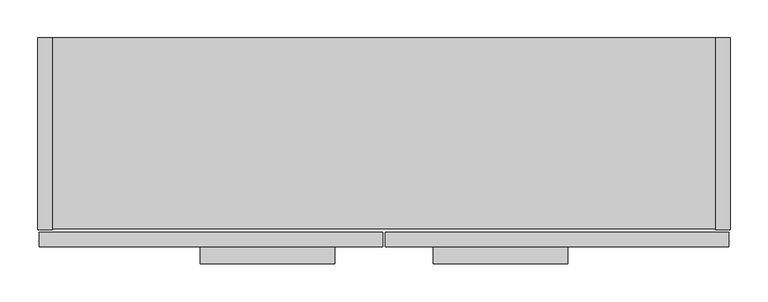
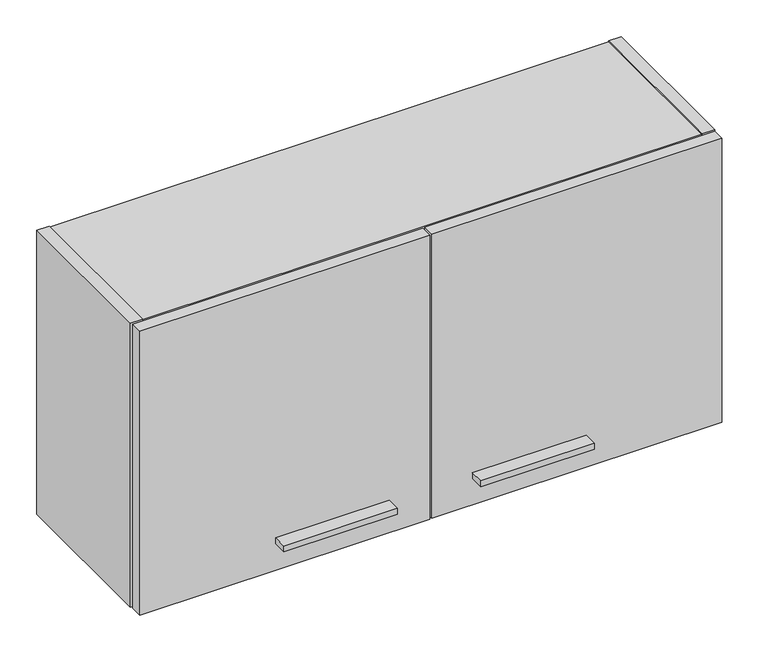
"""IFC4 building model written with IfcOpenShell, lengths in millimetres: furniture geometry."""

import ifcopenshell
import ifcopenshell.guid

model = None  # the IFC model being written
_history = None  # IfcOwnerHistory: only IFC2X3 demands one
_inside = {}  # id of a spatial element -> (the spatial element, [elements in it])
_under = {}  # id of a project, library or spatial element -> (it, [spatial elements below it])
_declared = {}  # id of a project -> (the project, [libraries it declares])
_typed = {}  # id of a type object -> (the type object, [elements of that type])
_made_of = {}  # id of a material, layer set ... -> (it, [elements and type objects made of it])


def new_model(schema):
    """Start an empty IFC model of exactly this schema.

    Asked for "IFC4X3", IfcOpenShell would pick the latest addendum, in which some entities
    have other attributes; the version numbers below select the first issue.
    IFC2X3 requires an IfcOwnerHistory on every rooted entity: one is made here for all.
    """
    global model, _history
    if schema == "IFC4X3":
        model = ifcopenshell.file(schema_version=(4, 3, 0, 0))
    else:
        model = ifcopenshell.file(schema=schema)
    _inside.clear()
    _under.clear()
    _declared.clear()
    _typed.clear()
    _made_of.clear()
    _history = None
    if model.schema == "IFC2X3":
        org = make("IfcOrganization", Name="unknown")
        user = make(
            "IfcPersonAndOrganization",
            ThePerson=make("IfcPerson", FamilyName="unknown"),
            TheOrganization=org,
        )
        app = make(
            "IfcApplication",
            ApplicationDeveloper=org,
            Version="unknown",
            ApplicationFullName="unknown",
            ApplicationIdentifier="unknown",
        )
        _history = make(
            "IfcOwnerHistory",
            OwningUser=user,
            OwningApplication=app,
            ChangeAction="ADDED",
            CreationDate=0,
        )
    return model


def make(cls, **values):
    """One entity of the class cls with the attributes given. An attribute that is None is left unset."""
    return model.create_entity(
        cls, **{name: value for name, value in values.items() if value is not None}
    )


def rooted(cls, **values):
    """An entity with a GlobalId (a new one), such as an element, a storey or a relation."""
    return make(cls, GlobalId=ifcopenshell.guid.new(), OwnerHistory=_history, **values)


def si_unit(unit_type, name, prefix=None):
    """IfcSIUnit, for example si_unit("LENGTHUNIT", "METRE", prefix="MILLI")."""
    return make("IfcSIUnit", UnitType=unit_type, Prefix=prefix, Name=name)


def assignment(units):
    """IfcUnitAssignment: the units of a project."""
    return None if units is None else make("IfcUnitAssignment", Units=units)


def point(xyz):
    """IfcCartesianPoint."""
    return None if xyz is None else make("IfcCartesianPoint", Coordinates=xyz)


def direction(xyz):
    """IfcDirection."""
    return None if xyz is None else make("IfcDirection", DirectionRatios=xyz)


def frame(location, z_axis=None, x_axis=None):
    """IfcAxis2Placement3D, a coordinate frame: its origin and axes. An axis left out is left unset."""
    return make(
        "IfcAxis2Placement3D",
        Location=point(location),
        Axis=direction(z_axis),
        RefDirection=direction(x_axis),
    )


def frame_2d(location, x_axis=None):
    """IfcAxis2Placement2D, a coordinate frame in the plane: its origin and x axis."""
    return make(
        "IfcAxis2Placement2D", Location=point(location), RefDirection=direction(x_axis)
    )


def origin():
    """The frame at (0, 0, 0) with its axes left unset."""
    return frame((0.0, 0.0, 0.0))


def place(relative_to, where):
    """IfcLocalPlacement: puts the frame where relative to a parent placement (None: the world)."""
    return make(
        "IfcLocalPlacement", PlacementRelTo=relative_to, RelativePlacement=where
    )


def context(
    kind, dimensions, precision=None, world=None, true_north=None, identifier=None
):
    """IfcGeometricRepresentationContext, for example the 3D "Model" context."""
    return make(
        "IfcGeometricRepresentationContext",
        ContextIdentifier=identifier,
        ContextType=kind,
        CoordinateSpaceDimension=dimensions,
        Precision=precision,
        WorldCoordinateSystem=world,
        TrueNorth=true_north,
    )


def project(units=None, contexts=None):
    """IfcProject with its units and contexts."""
    return rooted(
        "IfcProject",
        Name="project",
        RepresentationContexts=contexts,
        UnitsInContext=assignment(units),
    )


def spatial(cls, under=None, at=None, **own):
    """A site, building, storey or space (cls), placed at a placement, below another one or the project."""
    s = rooted(cls, ObjectPlacement=at, **own)
    if under is not None:
        _under.setdefault(under.id(), (under, []))[1].append(s)
    return s


def polyline(points):
    """IfcPolyline through the points."""
    return make("IfcPolyline", Points=[point(p) for p in points])


def circle_curve(where, radius):
    """IfcCircle in the frame where."""
    return make("IfcCircle", Position=where, Radius=radius)


def trimmed(basis, trim1, trim2, sense, master):
    """IfcTrimmedCurve: the piece of a basis curve between two trims."""
    return make(
        "IfcTrimmedCurve",
        BasisCurve=basis,
        Trim1=trim1,
        Trim2=trim2,
        SenseAgreement=sense,
        MasterRepresentation=master,
    )


def segment(curve, same_sense, transition):
    """IfcCompositeCurveSegment."""
    return make(
        "IfcCompositeCurveSegment",
        Transition=transition,
        SameSense=same_sense,
        ParentCurve=curve,
    )


def composite_curve(segments, self_intersect=None):
    """IfcCompositeCurve: segments joined end to end."""
    return make("IfcCompositeCurve", Segments=segments, SelfIntersect=self_intersect)


def outline(outer, holes=None, kind="AREA"):
    """IfcArbitraryClosedProfileDef: a profile drawn as a closed curve; with holes, ...WithVoids."""
    if holes is None:
        return make("IfcArbitraryClosedProfileDef", ProfileType=kind, OuterCurve=outer)
    return make(
        "IfcArbitraryProfileDefWithVoids",
        ProfileType=kind,
        OuterCurve=outer,
        InnerCurves=holes,
    )


def extrude(swept, where, along, depth):
    """IfcExtrudedAreaSolid: the profile swept, set in the frame where, extruded along a direction by depth."""
    return make(
        "IfcExtrudedAreaSolid",
        SweptArea=swept,
        Position=where,
        ExtrudedDirection=direction(along),
        Depth=depth,
    )


def shape(context_of_items, identifier, shape_type, items):
    """IfcShapeRepresentation: the items that make up one representation, for example the "Body"."""
    return make(
        "IfcShapeRepresentation",
        ContextOfItems=context_of_items,
        RepresentationIdentifier=identifier,
        RepresentationType=shape_type,
        Items=items,
    )


def source(mapping_origin, context_of_items, identifier, shape_type, items):
    """IfcRepresentationMap: a shape defined once, which mapped items show again and again."""
    return make(
        "IfcRepresentationMap",
        MappingOrigin=mapping_origin,
        MappedRepresentation=shape(context_of_items, identifier, shape_type, items),
    )


def transform(
    local_origin,
    x_axis=None,
    y_axis=None,
    z_axis=None,
    scale=None,
    scale2=None,
    scale3=None,
    uniform=True,
):
    """IfcCartesianTransformationOperator3D, or its non-uniform kind. x_axis, y_axis, z_axis: its Axis1, 2, 3."""
    if uniform:
        return make(
            "IfcCartesianTransformationOperator3D",
            Axis1=direction(x_axis),
            Axis2=direction(y_axis),
            LocalOrigin=point(local_origin),
            Scale=scale,
            Axis3=direction(z_axis),
        )
    return make(
        "IfcCartesianTransformationOperator3DnonUniform",
        Axis1=direction(x_axis),
        Axis2=direction(y_axis),
        LocalOrigin=point(local_origin),
        Scale=scale,
        Axis3=direction(z_axis),
        Scale2=scale2,
        Scale3=scale3,
    )


def mapped(mapping_source, mapping_target):
    """IfcMappedItem: shows the shape of a source again, moved by a transform."""
    return make(
        "IfcMappedItem", MappingSource=mapping_source, MappingTarget=mapping_target
    )


def made_of(thing, what):
    """Note that an element or type object is made of a material, layer set ...; save() writes the relation."""
    if what is not None:
        _made_of.setdefault(what.id(), (what, []))[1].append(thing)
    return thing


def element(
    cls,
    number,
    at=None,
    inside=None,
    cuts=None,
    type_object=None,
    material=None,
    context=None,
    identifier="Body",
    shape_type=None,
    held_by="IfcProductDefinitionShape",
    body=None,
    shapes=None,
    **own,
):
    """One element of the class cls, such as IfcWall. Its Tag is "e" and its number.

    at: its placement. inside: the storey or other place that contains it. cuts: it is an
    opening in that element (IfcRelVoidsElement). A single representation is given by context,
    identifier, shape_type and body (its items); several are given by shapes. held_by: the class
    of the entity that holds the representations. save() writes the other relations.
    """
    e = rooted(cls, Tag="e%d" % number, ObjectPlacement=at, **own)
    if body is not None:
        shapes = [shape(context, identifier, shape_type, body)]
    if shapes is not None:
        e.Representation = make(held_by, Representations=shapes)
    if inside is not None:
        _inside.setdefault(inside.id(), (inside, []))[1].append(e)
    if cuts is not None:
        rooted(
            "IfcRelVoidsElement", RelatingBuildingElement=cuts, RelatedOpeningElement=e
        )
    if type_object is not None:
        _typed.setdefault(type_object.id(), (type_object, []))[1].append(e)
    return made_of(e, material)


def aggregate(whole, parts):
    """IfcRelAggregates: a whole, such as a stair, and the parts it consists of."""
    return rooted("IfcRelAggregates", RelatingObject=whole, RelatedObjects=parts)


def save(model, path):
    """Write the relations noted so far, then the file.

    IfcRelAggregates (storeys below a building ...), IfcRelContainedInSpatialStructure (elements
    in a storey), IfcRelDefinesByType, IfcRelAssociatesMaterial and IfcRelDeclares: one each for
    every whole, place, type object, material and project.
    """
    for whole, parts in _under.values():
        aggregate(whole, parts)
    for where, things in _inside.values():
        rooted(
            "IfcRelContainedInSpatialStructure",
            RelatedElements=things,
            RelatingStructure=where,
        )
    for kind, things in _typed.values():
        rooted("IfcRelDefinesByType", RelatedObjects=things, RelatingType=kind)
    for what, things in _made_of.values():
        rooted("IfcRelAssociatesMaterial", RelatedObjects=things, RelatingMaterial=what)
    for by, libraries in _declared.values():
        rooted("IfcRelDeclares", RelatingContext=by, RelatedDefinitions=libraries)
    model.write(path)


def furniture_872603d3(model_context):
    return source(origin(), model_context, "Body", "SweptSolid", [
        extrude(outline(polyline([(700.0875, -298.45), (522.2875, -298.45), (522.2875, -276.225), (700.0875, -276.225), (700.0875, -298.45)])), frame((0.0, 0.0, 1923.4531), z_axis=(0.0, 0.0, 1.0), x_axis=(1.0, 0.0, 0.0)), (0.0, 0.0, 1.0), 9.525),
        extrude(outline(polyline([(392.1125, -298.45), (214.3125, -298.45), (214.3125, -276.225), (392.1125, -276.225), (392.1125, -298.45)])), frame((0.0, 0.0, 1923.4531), z_axis=(0.0, 0.0, 1.0), x_axis=(1.0, 0.0, 0.0)), (0.0, 0.0, 1.0), 9.525),
        extrude(outline(polyline([(912.8125, -276.225), (458.7875, -276.225), (458.7875, -256.921), (912.8125, -256.921), (912.8125, -276.225)])), frame((0.0, 0.0, 1879.6), z_axis=(0.0, 0.0, 1.0), x_axis=(1.0, 0.0, 0.0)), (0.0, 0.0, 1.0), 469.9),
        extrude(outline(polyline([(455.6125, -276.225), (1.5875, -276.225), (1.5875, -256.921), (455.6125, -256.921), (455.6125, -276.225)])), frame((0.0, 0.0, 1879.6), z_axis=(0.0, 0.0, 1.0), x_axis=(1.0, 0.0, 0.0)), (0.0, 0.0, 1.0), 469.9),
        extrude(outline(polyline([(19.304, -253.746), (0.0, -253.746), (0.0, 0.0), (19.304, 0.0), (19.304, -253.746)])), frame((0.0, 0.0, 1879.6), z_axis=(0.0, 0.0, 1.0), x_axis=(1.0, 0.0, 0.0)), (0.0, 0.0, 1.0), 469.9),
        extrude(outline(composite_curve([segment(polyline([(-253.746, 1879.6), (-253.746, 2349.5), (0.0, 2349.5), (0.0, 2266.442), (-9.5254487, 2266.442)]), True, "CONTINUOUS"), segment(trimmed(circle_curve(frame_2d((-9.5254487, 2263.2674487)), 3.1745513), [point((-9.5254487, 2266.442))], [point((-12.7, 2263.2674487))], True, "CARTESIAN"), True, "CONTINUOUS"), segment(polyline([(-12.7, 2263.2674487), (-12.7, 2161.667)]), True, "CONTINUOUS"), segment(trimmed(circle_curve(frame_2d((-9.525, 2161.667)), 3.175), [point((-12.7, 2161.667))], [point((-9.525, 2158.492))], True, "CARTESIAN"), True, "CONTINUOUS"), segment(polyline([(-9.525, 2158.492), (0.0, 2158.492), (0.0, 1879.6), (-253.746, 1879.6)]), True, "CONTINUOUS")], self_intersect=False)), frame((895.096, 0.0, 0.0), z_axis=(1.0, 0.0, 0.0), x_axis=(0.0, 1.0, 0.0)), (0.0, 0.0, 1.0), 19.304),
        extrude(outline(polyline([(895.096, -252.222), (19.304, -252.222), (19.304, -12.7), (895.096, -12.7), (895.096, -252.222)])), frame((0.0, 0.0, 1881.124), z_axis=(0.0, 0.0, 1.0), x_axis=(1.0, 0.0, 0.0)), (0.0, 0.0, 1.0), 19.304),
        extrude(outline(polyline([(895.096, -12.7), (895.096, -32.004), (19.304, -32.004), (19.304, -12.7), (895.096, -12.7)])), frame((0.0, 0.0, 1900.428), z_axis=(0.0, 0.0, 1.0), x_axis=(1.0, 0.0, 0.0)), (0.0, 0.0, 1.0), 429.768),
        extrude(outline(polyline([(895.096, -252.222), (19.304, -252.222), (19.304, 0.0), (895.096, 0.0), (895.096, -252.222)])), frame((0.0, 0.0, 2330.196), z_axis=(0.0, 0.0, 1.0), x_axis=(1.0, 0.0, 0.0)), (0.0, 0.0, 1.0), 17.78),
    ])


if __name__ == "__main__":
    model = new_model("IFC4")
    model_context = context("Model", 3, world=origin())
    ifc_project = project(units=[si_unit("LENGTHUNIT", "METRE", prefix="MILLI")], contexts=[model_context])
    site = spatial("IfcSite", under=ifc_project)
    building = spatial("IfcBuilding", under=site)
    placement = place(None, origin())
    furniture_shape = furniture_872603d3(model_context)
    element("IfcFurniture", 1, at=placement, inside=building, context=model_context, shape_type="MappedRepresentation", body=[
        mapped(furniture_shape, transform((0.0, 0.0, 0.0), x_axis=(1.0, 0.0, 0.0), y_axis=(0.0, 1.0, 0.0), z_axis=(0.0, 0.0, 1.0))),
    ])
    save(model, "model.ifc")
